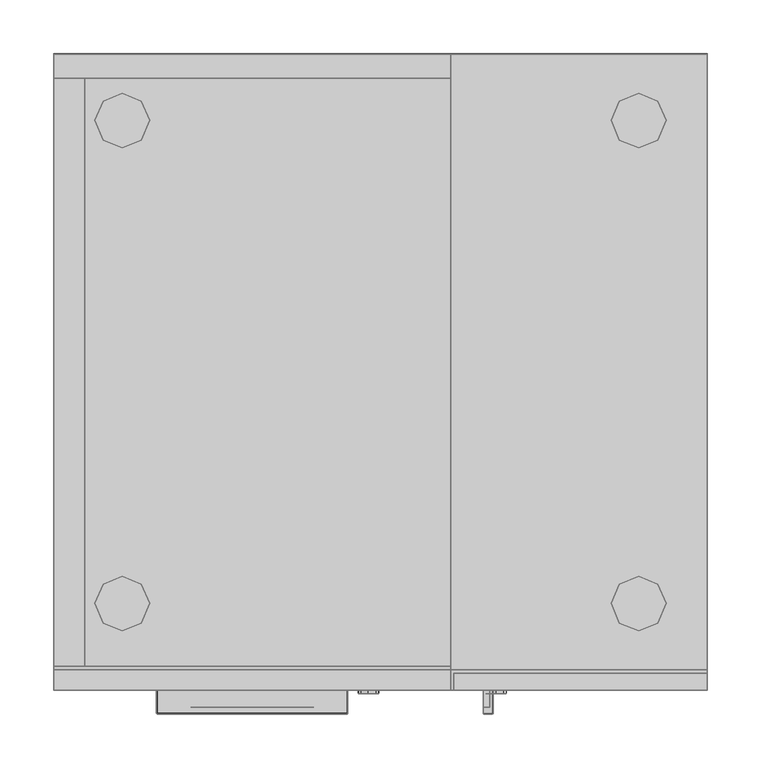
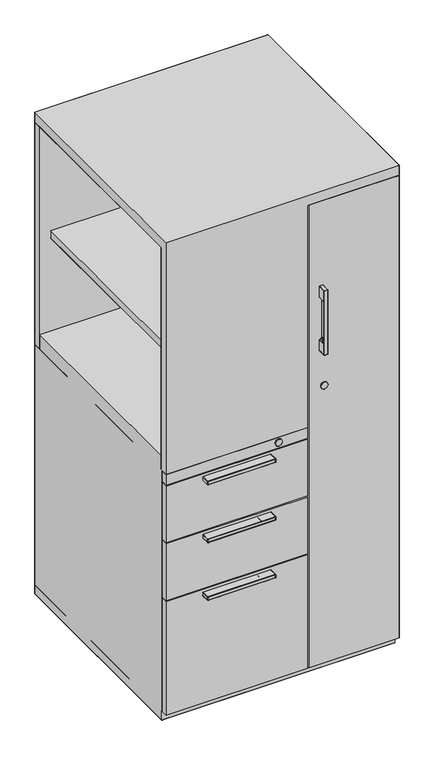
"""IFC4 building model written with IfcOpenShell, lengths in millimetres: furniture geometry."""

from ifc_helpers import new_model, si_unit, origin, place, context, project, spatial, triangles, source, transform, mapped, element, save


def furniture_2a527ab0(model_context):
    return source(origin(), model_context, "Body", "Tessellation", [
        triangles([(368.3000121, -574.6749879, 664.6672056), (368.3000121, -590.55, 664.6672056), (368.3000121, -590.55, 509.090946), (368.3000121, -574.6749879, 509.090946), (0.0, -590.55, 509.090946), (0.0, -590.55, 664.6672056), (0.0, -574.6749879, 509.090946), (0.0, -574.6749879, 664.6672056), (371.475, -574.6749879, 1304.9255814), (371.475, -574.6749879, 36.0172011), (371.475, -590.55, 36.0172011), (371.475, -590.55, 1304.9255814), (606.4250121, -574.6749879, 1304.9255814), (606.4250121, -590.55, 1304.9255814), (606.4250121, -590.55, 36.0172011), (606.4250121, -574.6749879, 36.0172011), (368.3000121, -590.55, 350.3409339), (368.3000121, -590.55, 505.9146501), (0.0, -590.55, 505.9146501), (0.0, -590.55, 350.3409339), (0.0, -574.6749879, 505.9146501), (368.3000121, -574.6749879, 505.9146501), (368.3000121, -590.55, 36.0172011), (368.3000121, -590.55, 347.1672177), (0.0, -590.55, 347.1672177), (0.0, -590.55, 36.0172011), (0.0, -574.6749879, 347.1672177), (368.3000121, -574.6749879, 347.1672177), (0.0, -574.6749879, 36.0172011), (0.0, -574.6749879, 350.3409339), (368.3000121, -574.6749879, 36.0172011), (368.3000121, -574.6749879, 350.3409339), (368.3000121, -590.55, 667.8422298), (368.3000121, -590.55, 696.4172298), (0.0, -590.55, 696.4172298), (0.0, -590.55, 667.8422298), (0.0, -574.6749879, 696.4172298), (368.3000121, -574.6749879, 696.4172298), (0.0, -574.6749879, 667.8422298), (368.3000121, -574.6749879, 667.8422298)], [[1, 2, 3], [1, 3, 4], [5, 6, 7], [6, 8, 7], [3, 2, 6], [3, 6, 5], [9, 10, 11], [9, 11, 12], [13, 14, 15], [13, 15, 16], [16, 10, 9], [16, 9, 13], [12, 11, 14], [11, 15, 14], [17, 18, 19], [17, 19, 20], [21, 19, 18], [21, 18, 22], [23, 24, 25], [23, 25, 26], [27, 25, 24], [27, 24, 28], [26, 25, 27], [26, 27, 29], [20, 19, 30], [19, 21, 30], [28, 24, 23], [28, 23, 31], [22, 18, 17], [22, 17, 32], [33, 34, 35], [33, 35, 36], [8, 6, 2], [8, 2, 1], [37, 35, 34], [37, 34, 38], [36, 35, 39], [35, 37, 39], [33, 34, 40], [34, 38, 40]], closed=False),
        triangles([(88.899997, -509.9843871, 0.0), (81.359378, -492.1250121, 0.0), (81.359378, -492.1250121, 10.6172003), (88.899997, -509.9843871, 10.6172003), (45.6406235, -492.1250121, 0.0), (38.1, -509.9843871, 0.0), (38.1, -509.9843871, 10.6172003), (45.6406235, -492.1250121, 10.6172003), (63.4999985, -484.584375, 0.0), (63.4999985, -484.584375, 10.6172003), (45.6406235, -528.2406129, 0.0), (63.4999985, -535.3843629, 0.0), (63.4999985, -535.3843629, 10.6172003), (45.6406235, -528.2406129, 10.6172003), (81.359378, -528.2406129, 0.0), (81.359378, -528.2406129, 10.6172003), (81.359378, -79.771875, 10.6172003), (81.359378, -79.771875, 0.0), (88.899997, -61.5156265, 0.0), (88.899997, -61.5156265, 10.6172003), (81.359378, -43.6562515, 0.0), (81.359378, -43.6562515, 10.6172003), (63.4999985, -36.1156258, 0.0), (63.4999985, -36.1156258, 10.6172003), (45.6406235, -43.6562515, 0.0), (45.6406235, -43.6562515, 10.6172003), (38.1, -61.5156265, 10.6172003), (38.1, -61.5156265, 0.0), (45.6406235, -79.771875, 0.0), (45.6406235, -79.771875, 10.6172003), (63.4999985, -86.915625, 0.0), (63.4999985, -86.915625, 10.6172003), (568.3250121, -509.9843871, 10.6172003), (568.3250121, -509.9843871, 0.0), (560.784375, -492.1250121, 0.0), (560.784375, -492.1250121, 10.6172003), (525.065625, -492.1250121, 10.6172003), (525.065625, -492.1250121, 0.0), (517.5249879, -509.9843871, 0.0), (517.5249879, -509.9843871, 10.6172003), (542.925, -484.584375, 10.6172003), (542.925, -484.584375, 0.0), (525.065625, -528.2406129, 10.6172003), (525.065625, -528.2406129, 0.0), (542.925, -535.3843629, 0.0), (542.925, -535.3843629, 10.6172003), (560.784375, -528.2406129, 0.0), (560.784375, -528.2406129, 10.6172003), (560.784375, -79.771875, 0.0), (568.3250121, -61.5156265, 0.0), (568.3250121, -61.5156265, 10.6172003), (560.784375, -79.771875, 10.6172003), (560.784375, -43.6562515, 0.0), (560.784375, -43.6562515, 10.6172003), (542.925, -36.1156258, 0.0), (525.065625, -43.6562515, 0.0), (525.065625, -43.6562515, 10.6172003), (542.925, -36.1156258, 10.6172003), (517.5249879, -61.5156265, 0.0), (525.065625, -79.771875, 0.0), (525.065625, -79.771875, 10.6172003), (517.5249879, -61.5156265, 10.6172003), (542.925, -86.915625, 0.0), (542.925, -86.915625, 10.6172003)], [[1, 2, 3], [1, 3, 4], [5, 6, 7], [5, 7, 8], [9, 5, 8], [9, 8, 10], [2, 9, 10], [2, 10, 3], [11, 12, 13], [11, 13, 14], [12, 15, 16], [12, 16, 13], [15, 1, 4], [15, 4, 16], [6, 11, 14], [6, 14, 7], [17, 18, 19], [17, 19, 20], [20, 19, 21], [20, 21, 22], [22, 21, 23], [22, 23, 24], [24, 23, 25], [24, 25, 26], [27, 28, 29], [27, 29, 30], [30, 29, 31], [30, 31, 32], [32, 31, 17], [31, 18, 17], [26, 25, 27], [25, 28, 27], [33, 34, 35], [33, 35, 36], [37, 38, 39], [37, 39, 40], [41, 42, 38], [41, 38, 37], [36, 35, 42], [36, 42, 41], [43, 44, 45], [43, 45, 46], [46, 45, 47], [46, 47, 48], [48, 47, 34], [48, 34, 33], [40, 39, 44], [40, 44, 43], [49, 50, 51], [49, 51, 52], [50, 53, 54], [50, 54, 51], [55, 56, 57], [55, 57, 58], [59, 60, 61], [59, 61, 62], [60, 63, 64], [60, 64, 61], [56, 59, 62], [56, 62, 57], [53, 55, 58], [53, 58, 54], [63, 49, 52], [63, 52, 64]], closed=False),
        triangles([(407.2204199, -612.0130068, 897.2854923), (399.2194184, -612.0130068, 897.2854923), (399.2194184, -590.55, 897.2854923), (407.2204199, -590.55, 897.2854923), (407.2204199, -612.7750242, 1074.3234507), (399.2194184, -612.7750242, 1074.3234507), (399.2194184, -612.7750242, 898.0475098), (407.2204199, -612.7750242, 898.0475098), (407.9824373, -590.55, 1074.3234507), (407.9824373, -612.0130068, 1074.3234507), (407.9824373, -612.0130068, 898.0475098), (407.9824373, -590.55, 898.0475098), (404.8074131, -605.7899855, 1037.5696621), (404.8074131, -590.55, 1037.5696621), (404.8074131, -590.55, 934.8012983), (404.8074131, -605.7899855, 934.8012983), (404.4308009, -605.7899855, 1039.7240364), (404.4232796, -590.55, 1039.7447474), (403.1819673, -605.7899855, 1041.8124264), (403.1819673, -590.55, 1041.8124264), (401.4261515, -605.7899855, 1043.1829823), (401.4067486, -590.55, 1043.1932287), (399.1377737, -605.7899855, 1043.8831575), (399.1377737, -590.55, 1043.8831575), (398.6524836, -605.7899855, 1044.1316162), (398.6524836, -590.55, 1044.1316162), (398.4574373, -605.7899855, 1044.6407421), (398.4574373, -590.55, 1044.6407421), (404.4232796, -590.55, 932.6262131), (404.4308009, -605.7899855, 932.646924), (403.1819673, -590.55, 930.558534), (403.1819673, -605.7899855, 930.558534), (401.4067486, -590.55, 929.1777317), (401.4261515, -605.7899855, 929.1879782), (399.1377737, -590.55, 928.4878029), (399.1377737, -605.7899855, 928.4878029), (398.6524836, -590.55, 928.2393442), (398.6524836, -605.7899855, 928.2393442), (398.4574373, -590.55, 927.7302183), (398.4574373, -605.7899855, 927.7302183), (401.3455241, -606.3288334, 929.396105), (399.1582303, -606.3330119, 928.7189661), (401.1509139, -606.5520029, 929.8985453), (399.2194184, -606.5520029, 929.265517), (403.0151896, -606.3288334, 930.7068535), (402.6125616, -606.5520029, 931.0648985), (404.2195856, -606.3288334, 932.7190853), (403.7096967, -606.5520029, 932.8932026), (404.5842436, -606.3288334, 934.8012983), (404.045432, -606.5520029, 934.8012983), (399.1582303, -606.3330119, 1043.6519943), (401.3455241, -606.3288334, 1042.9748554), (399.2194184, -606.5520029, 1043.1054434), (401.1509139, -606.5520029, 1042.4724152), (403.0151896, -606.3288334, 1041.6641069), (402.6125616, -606.5520029, 1041.3060619), (403.7096967, -606.5520029, 1039.4777578), (404.2195856, -606.3288334, 1039.6518751), (404.045432, -606.5520029, 1037.5696621), (404.5842436, -606.3288334, 1037.5696621), (398.6282118, -606.4443787, 1043.8466045), (398.6806068, -606.7751724, 1043.1055161), (398.457401, -606.8467887, 1044.2145327), (398.457401, -607.313984, 1043.1055161), (398.6882009, -606.7751724, 929.2643543), (398.632136, -606.4443787, 928.5235565), (398.464995, -607.313984, 929.2654444), (398.4595448, -606.8467887, 928.1563551), (399.2194184, -612.5393555, 897.5369305), (407.2204199, -612.551782, 897.5086618), (398.4574373, -590.55, 898.0475098), (398.6806068, -590.55, 897.5086618), (398.4574373, -612.0130068, 898.0475098), (398.6806068, -612.0130068, 897.5086618), (398.6806068, -612.551782, 898.0475098), (398.6806068, -612.551782, 1074.3234507), (398.4574373, -612.0130068, 1074.3234507), (399.2194184, -612.0130068, 1075.0854681), (407.2204199, -612.0130068, 1075.0854681), (407.2204199, -590.55, 1075.0854681), (399.2194184, -590.55, 1075.0854681), (398.6806068, -612.0130068, 1074.8622986), (398.6806068, -590.55, 1074.8622986), (398.4574373, -590.55, 1074.3234507), (407.7592315, -612.0130068, 1074.8622986), (407.7592315, -590.55, 1074.8622986), (407.7592315, -612.551782, 898.0475098), (407.7592315, -612.551782, 1074.3234507), (407.7592315, -612.0130068, 897.5086618), (407.7592315, -590.55, 897.5086618), (407.2204199, -612.551782, 1074.8622986), (399.2194184, -612.551782, 1074.8622986), (398.838446, -612.551782, 1074.7045321), (407.7592315, -612.3937975, 1074.7046774), (407.7592315, -612.3921261, 897.664539), (398.6806068, -612.3795542, 897.6926622), (407.9824373, -590.55, 934.8063852), (407.9824373, -590.55, 1037.508692), (407.9824373, -590.55, 1039.7089211), (407.9824373, -590.55, 1041.8925087), (407.9824373, -590.55, 1043.3794819), (407.9824373, -590.55, 1043.9726143), (407.9824373, -590.55, 1044.6079679), (407.9824373, -590.55, 932.6620394), (407.9824373, -590.55, 930.4784517), (407.9824373, -590.55, 928.9914785), (407.9824373, -590.55, 928.3983461), (407.9824373, -590.55, 927.7629925), (398.4574373, -612.0130068, 1044.6406694), (398.4574373, -612.0130068, 1044.21446), (398.4574373, -612.0130068, 1043.0728872), (398.4574373, -612.0130068, 929.2641363), (398.4574373, -612.0130068, 928.1560644), (398.4574373, -612.0130068, 927.7302183), (399.2194184, -606.5520029, 1037.3476553), (399.2194184, -606.5520029, 934.2902103), (399.2194184, -606.5520029, 1039.2282091), (399.2194184, -606.5520029, 1041.1360868), (399.2194184, -606.5520029, 932.3843674), (399.2194184, -606.5520029, 930.7274191), (127.2575576, -606.5520029, 648.8556707), (127.8905949, -606.5520029, 650.7871662), (129.056939, -606.5520029, 652.2488503), (128.7194869, -606.5520029, 648.8556707), (130.8852885, -606.5520029, 653.345949), (130.3764351, -606.5520029, 648.8556707), (132.7933479, -606.5520029, 653.6816843), (132.2822872, -606.5520029, 648.8556707), (239.1281364, -606.5520029, 648.8556707), (239.298166, -606.5520029, 652.2488503), (240.4645011, -606.5520029, 650.7871662), (241.0975475, -606.5520029, 648.8556707), (237.2203132, -606.5520029, 648.8556707), (237.4698074, -606.5520029, 653.345949), (235.3397594, -606.5520029, 648.8556707), (235.561748, -606.5520029, 653.6816843), (125.7222861, -590.55, 648.093726), (125.7222861, -612.0130068, 648.093726), (96.0395503, -612.0130068, 648.093726), (96.0395503, -590.55, 648.093726), (126.1484592, -606.8467887, 648.0958334), (126.1481594, -612.0130068, 648.093726), (125.7222861, -605.7899855, 648.093726), (127.2575303, -607.313984, 648.1012836), (127.256195, -612.0130068, 648.093726), (241.0975475, -607.313984, 648.093726), (241.0649913, -612.0130068, 648.093726), (242.2066368, -606.8467887, 648.093726), (242.2065459, -612.0130068, 648.093726), (242.6328099, -605.7899855, 648.093726), (242.6327372, -612.0130068, 648.093726), (272.3155548, -590.55, 648.093726), (272.3155548, -612.0130068, 648.093726), (242.6328099, -590.55, 648.093726), (95.5007387, -590.55, 657.3954838), (95.5007387, -590.55, 648.3168955), (95.277551, -590.55, 648.8556707), (95.277551, -590.55, 656.8567085), (96.0395503, -590.55, 657.618726), (125.7550875, -590.55, 657.618726), (126.2314211, -590.55, 648.2887722), (126.3903776, -590.55, 657.618726), (126.479907, -590.55, 648.7740623), (126.9835372, -590.55, 657.618726), (127.1698358, -590.55, 651.0430372), (128.4705195, -590.55, 657.618726), (128.5505746, -590.55, 652.8182196), (130.654089, -590.55, 657.618726), (130.6182808, -590.55, 654.0595682), (132.7984348, -590.55, 657.618726), (132.7933479, -590.55, 654.4437017), (272.3155548, -590.55, 657.618726), (242.6000175, -590.55, 657.618726), (272.8543664, -590.55, 657.3954838), (272.8543664, -590.55, 648.3168955), (273.077554, -590.55, 656.8567085), (273.077554, -590.55, 648.8556707), (242.123684, -590.55, 648.2887722), (241.875189, -590.55, 648.7740623), (241.9647184, -590.55, 657.618726), (241.1852602, -590.55, 651.0430372), (241.3715678, -590.55, 657.618726), (239.8045305, -590.55, 652.8182196), (239.8845765, -590.55, 657.618726), (237.7368151, -590.55, 654.0595682), (237.701007, -590.55, 657.618726), (235.561748, -590.55, 654.4437017), (235.5007416, -590.55, 657.618726), (95.6847482, -612.3795542, 648.3168955), (95.5289801, -612.5393555, 648.8556707), (95.277551, -612.0130068, 648.8556707), (95.5007387, -612.0130068, 648.3168955), (96.0395503, -612.551782, 648.3168955), (96.0395503, -612.7750242, 648.8556707), (95.6566249, -612.3921261, 657.3954838), (95.5007387, -612.551782, 656.8567085), (96.0395503, -612.7750242, 656.8567085), (96.0395503, -612.551782, 657.3954838), (95.5007387, -612.0130068, 657.3954838), (95.277551, -612.0130068, 656.8567085), (96.0395503, -612.0130068, 657.618726), (272.6967452, -612.3937975, 657.3954838), (272.8543664, -612.551782, 656.8567085), (273.077554, -612.0130068, 656.8567085), (272.8543664, -612.0130068, 657.3954838), (272.3155548, -612.551782, 657.3954838), (272.3155548, -612.7750242, 656.8567085), (272.3155548, -612.0130068, 657.618726), (272.6965635, -612.551782, 648.4747347), (272.8544027, -612.0130068, 648.3168955), (273.077554, -612.0130068, 648.8556707), (272.8543664, -612.551782, 648.8556707), (272.3155548, -612.551782, 648.3168955), (272.3155548, -612.7750242, 648.8556707), (127.2564312, -606.7751724, 648.3244532), (241.0975475, -606.7751724, 648.3168955), (126.2314211, -605.7899855, 648.2887722), (126.5155879, -606.4443787, 648.2684246), (126.479907, -605.7899855, 648.7740623), (126.7110066, -606.3330119, 648.7944826), (241.8386541, -606.4443787, 648.2645004), (242.123684, -605.7899855, 648.2887722), (241.6440984, -606.3330119, 648.7944826), (241.875189, -605.7899855, 648.7740623), (132.7933479, -606.3288334, 654.2205322), (235.561748, -606.3288334, 654.2205322), (132.7933479, -605.7899855, 654.4437017), (235.561748, -605.7899855, 654.4437017), (237.7161223, -605.7899855, 654.0670532), (237.6439792, -606.3288334, 653.8558743), (239.656211, -606.3288334, 652.651442), (239.8045305, -605.7899855, 652.8182196), (240.9669414, -606.3288334, 650.9817764), (241.17505, -605.7899855, 651.0624401), (128.5505746, -605.7899855, 652.8182196), (128.6988849, -606.3288334, 652.651442), (130.7111258, -606.3288334, 653.8558743), (130.6389827, -605.7899855, 654.0670532), (127.3881637, -606.3288334, 650.9817764), (127.1800459, -605.7899855, 651.0624401), (127.2575576, -606.5520029, 490.1031515), (127.8905949, -606.5520029, 492.034647), (129.056939, -606.5520029, 493.4962947), (128.7194869, -606.5520029, 490.1031515), (130.8852885, -606.5520029, 494.5934298), (130.3764351, -606.5520029, 490.1031515), (132.7933479, -606.5520029, 494.9291651), (132.2822872, -606.5520029, 490.1031515), (239.1281364, -606.5520029, 490.1031515), (239.298166, -606.5520029, 493.4962947), (240.4645011, -606.5520029, 492.034647), (241.0975475, -606.5520029, 490.1031515), (237.2203132, -606.5520029, 490.1031515), (237.4698074, -606.5520029, 494.5934298), (235.3397594, -606.5520029, 490.1031515), (235.561748, -606.5520029, 494.9291651), (125.7222861, -590.55, 489.3411704), (125.7222861, -612.0130068, 489.3411704), (96.0395503, -612.0130068, 489.3411704), (96.0395503, -590.55, 489.3411704), (126.1484592, -606.8467887, 489.3432778), (126.1481594, -612.0130068, 489.3411704), (125.7222861, -605.7899855, 489.3411704), (127.2575303, -607.313984, 489.3487281), (127.256195, -612.0130068, 489.3411704), (241.0975475, -607.313984, 489.3411704), (241.0649913, -612.0130068, 489.3411704), (242.2066368, -606.8467887, 489.3411704), (242.2065459, -612.0130068, 489.3411704), (242.6328099, -605.7899855, 489.3411704), (242.6327372, -612.0130068, 489.3411704), (272.3155548, -590.55, 489.3411704), (272.3155548, -612.0130068, 489.3411704), (242.6328099, -590.55, 489.3411704), (95.5007387, -590.55, 498.6429646), (95.5007387, -590.55, 489.5643399), (95.277551, -590.55, 490.1031515), (95.277551, -590.55, 498.104153), (96.0395503, -590.55, 498.8661704), (125.7550875, -590.55, 498.8661704), (126.2314211, -590.55, 489.5362166), (126.3903776, -590.55, 498.8661704), (126.479907, -590.55, 490.0215068), (126.9835372, -590.55, 498.8661704), (127.1698358, -590.55, 492.2904817), (128.4705195, -590.55, 498.8661704), (128.5505746, -590.55, 494.0657003), (130.654089, -590.55, 498.8661704), (130.6182808, -590.55, 495.3070127), (132.7984348, -590.55, 498.8661704), (132.7933479, -590.55, 495.6911462), (272.3155548, -590.55, 498.8661704), (242.6000175, -590.55, 498.8661704), (272.8543664, -590.55, 498.6429646), (272.8543664, -590.55, 489.5643399), (273.077554, -590.55, 498.104153), (273.077554, -590.55, 490.1031515), (242.123684, -590.55, 489.5362166), (241.875189, -590.55, 490.0215068), (241.9647184, -590.55, 498.8661704), (241.1852602, -590.55, 492.2904817), (241.3715678, -590.55, 498.8661704), (239.8045305, -590.55, 494.0657003), (239.8845765, -590.55, 498.8661704), (237.7368151, -590.55, 495.3070127), (237.701007, -590.55, 498.8661704), (235.561748, -590.55, 495.6911462), (235.5007416, -590.55, 498.8661704), (95.6847482, -612.3795542, 489.5643399), (95.5289801, -612.5393555, 490.1031515), (95.277551, -612.0130068, 490.1031515), (95.5007387, -612.0130068, 489.5643399), (96.0395503, -612.551782, 489.5643399), (96.0395503, -612.7750242, 490.1031515), (95.6566249, -612.3921261, 498.6429646), (95.5007387, -612.551782, 498.104153), (96.0395503, -612.7750242, 498.104153), (96.0395503, -612.551782, 498.6429646), (95.5007387, -612.0130068, 498.6429646), (95.277551, -612.0130068, 498.104153), (96.0395503, -612.0130068, 498.8661704), (272.6967452, -612.3937975, 498.6429646), (272.8543664, -612.551782, 498.104153), (273.077554, -612.0130068, 498.104153), (272.8543664, -612.0130068, 498.6429646), (272.3155548, -612.551782, 498.6429646), (272.3155548, -612.7750242, 498.104153), (272.3155548, -612.0130068, 498.8661704), (272.6965635, -612.551782, 489.7221791), (272.8544027, -612.0130068, 489.5643763), (273.077554, -612.0130068, 490.1031515), (272.8543664, -612.551782, 490.1031515), (272.3155548, -612.551782, 489.5643399), (272.3155548, -612.7750242, 490.1031515), (127.2564312, -606.7751724, 489.5719339), (241.0975475, -606.7751724, 489.5643399), (126.2314211, -605.7899855, 489.5362166), (126.5155879, -606.4443787, 489.515869), (126.479907, -605.7899855, 490.0215068), (126.7110066, -606.3330119, 490.0419634), (241.8386541, -606.4443787, 489.5119449), (242.123684, -605.7899855, 489.5362166), (241.6440984, -606.3330119, 490.0419634), (241.875189, -605.7899855, 490.0215068), (132.7933479, -606.3288334, 495.4679767), (235.561748, -606.3288334, 495.4679767), (132.7933479, -605.7899855, 495.6911462), (235.561748, -605.7899855, 495.6911462), (237.7161223, -605.7899855, 495.314534), (237.6439792, -606.3288334, 495.1033187), (239.656211, -606.3288334, 493.8989227), (239.8045305, -605.7899855, 494.0657003), (240.9669414, -606.3288334, 492.2292572), (241.17505, -605.7899855, 492.3098845), (128.5505746, -605.7899855, 494.0657003), (128.6988849, -606.3288334, 493.8989227), (130.7111258, -606.3288334, 495.1033187), (130.6389827, -605.7899855, 495.314534), (127.3881637, -606.3288334, 492.2292572), (127.1800459, -605.7899855, 492.3098845), (127.2575576, -606.5520029, 331.3556828), (127.8905949, -606.5520029, 333.2871783), (129.056939, -606.5520029, 334.748826), (128.7194869, -606.5520029, 331.3556828), (130.8852885, -606.5520029, 335.8459974), (130.3764351, -606.5520029, 331.3556828), (132.7933479, -606.5520029, 336.1816964), (132.2822872, -606.5520029, 331.3556828), (239.1281364, -606.5520029, 331.3556828), (239.298166, -606.5520029, 334.748826), (240.4645011, -606.5520029, 333.2871783), (241.0975475, -606.5520029, 331.3556828), (237.2203132, -606.5520029, 331.3556828), (237.4698074, -606.5520029, 335.8459974), (235.3397594, -606.5520029, 331.3556828), (235.561748, -606.5520029, 336.1816964), (125.7222861, -590.55, 330.5937017), (125.7222861, -612.0130068, 330.5937017), (96.0395503, -612.0130068, 330.5937017), (96.0395503, -590.55, 330.5937017), (126.1484592, -606.8467887, 330.5958092), (126.1481594, -612.0130068, 330.5937017), (125.7222861, -605.7899855, 330.5937017), (127.2575303, -607.313984, 330.6012958), (127.256195, -612.0130068, 330.5937017), (241.0975475, -607.313984, 330.5937017), (241.0649913, -612.0130068, 330.5937017), (242.2066368, -606.8467887, 330.5937017), (242.2065459, -612.0130068, 330.5937017), (242.6328099, -605.7899855, 330.5937017), (242.6327372, -612.0130068, 330.5937017), (272.3155548, -590.55, 330.5937017), (272.3155548, -612.0130068, 330.5937017), (242.6328099, -590.55, 330.5937017), (95.5007387, -590.55, 339.8955322), (95.5007387, -590.55, 330.8168713), (95.277551, -590.55, 331.3556828), (95.277551, -590.55, 339.3566843), (96.0395503, -590.55, 340.1187017), (125.7550875, -590.55, 340.1187017), (126.2314211, -590.55, 330.788748), (126.3903776, -590.55, 340.1187017), (126.479907, -590.55, 331.2740745), (126.9835372, -590.55, 340.1187017), (127.1698358, -590.55, 333.5430493), (128.4705195, -590.55, 340.1187017), (128.5505746, -590.55, 335.318268), (130.654089, -590.55, 340.1187017), (130.6182808, -590.55, 336.5595803), (132.7984348, -590.55, 340.1187017), (132.7933479, -590.55, 336.9437139), (272.3155548, -590.55, 340.1187017), (242.6000175, -590.55, 340.1187017), (272.8543664, -590.55, 339.8955322), (272.8543664, -590.55, 330.8168713), (273.077554, -590.55, 339.3566843), (273.077554, -590.55, 331.3556828), (242.123684, -590.55, 330.788748), (241.875189, -590.55, 331.2740745), (241.9647184, -590.55, 340.1187017), (241.1852602, -590.55, 333.5430493), (241.3715678, -590.55, 340.1187017), (239.8045305, -590.55, 335.318268), (239.8845765, -590.55, 340.1187017), (237.7368151, -590.55, 336.5595803), (237.701007, -590.55, 340.1187017), (235.561748, -590.55, 336.9437139), (235.5007416, -590.55, 340.1187017), (95.6847482, -612.3795542, 330.8168713), (95.5289801, -612.5393555, 331.3556828), (95.277551, -612.0130068, 331.3556828), (95.5007387, -612.0130068, 330.8168713), (96.0395503, -612.551782, 330.8168713), (96.0395503, -612.7750242, 331.3556828), (95.6566249, -612.3921261, 339.8955322), (95.5007387, -612.551782, 339.3566843), (96.0395503, -612.7750242, 339.3566843), (96.0395503, -612.551782, 339.8955322), (95.5007387, -612.0130068, 339.8955322), (95.277551, -612.0130068, 339.3566843), (96.0395503, -612.0130068, 340.1187017), (272.6967452, -612.3937975, 339.8955322), (272.8543664, -612.551782, 339.3566843), (273.077554, -612.0130068, 339.3566843), (272.8543664, -612.0130068, 339.8955322), (272.3155548, -612.551782, 339.8955322), (272.3155548, -612.7750242, 339.3566843), (272.3155548, -612.0130068, 340.1187017), (272.6965635, -612.551782, 330.9747105), (272.8544027, -612.0130068, 330.8169076), (272.8543664, -612.551782, 331.3556828), (273.077554, -612.0130068, 331.3556828), (272.3155548, -612.551782, 330.8168713), (272.3155548, -612.7750242, 331.3556828), (127.2564312, -606.7751724, 330.8244653), (241.0975475, -606.7751724, 330.8168713), (126.2314211, -605.7899855, 330.788748), (126.5155879, -606.4443787, 330.7684004), (126.479907, -605.7899855, 331.2740745), (126.7110066, -606.3330119, 331.2945311), (241.8386541, -606.4443787, 330.7644762), (242.123684, -605.7899855, 330.788748), (241.6440984, -606.3330119, 331.2945311), (241.875189, -605.7899855, 331.2740381), (132.7933479, -606.3288334, 336.720508), (235.561748, -606.3288334, 336.720508), (132.7933479, -605.7899855, 336.9437139), (235.561748, -605.7899855, 336.9437139), (237.7161223, -605.7899855, 336.5670653), (237.6439792, -606.3288334, 336.3558864), (239.656211, -606.3288334, 335.1514541), (239.8045305, -605.7899855, 335.318268), (240.9669414, -606.3288334, 333.4818249), (241.17505, -605.7899855, 333.5624159), (128.5505746, -605.7899855, 335.318268), (128.6988849, -606.3288334, 335.1514541), (130.7111258, -606.3288334, 336.3558864), (130.6389827, -605.7899855, 336.5670653), (127.3881637, -606.3288334, 333.4818249), (127.1800459, -605.7899855, 333.5624159)], [[1, 2, 3], [1, 3, 4], [5, 6, 7], [5, 7, 8], [9, 10, 11], [9, 11, 12], [13, 14, 15], [13, 15, 16], [17, 18, 14], [17, 14, 13], [19, 20, 18], [19, 18, 17], [21, 22, 20], [21, 20, 19], [23, 24, 22], [23, 22, 21], [25, 26, 24], [25, 24, 23], [27, 28, 26], [27, 26, 25], [16, 15, 29], [16, 29, 30], [30, 29, 31], [30, 31, 32], [32, 31, 33], [32, 33, 34], [34, 33, 35], [34, 35, 36], [36, 35, 37], [36, 37, 38], [38, 37, 39], [38, 39, 40], [34, 41, 42], [34, 42, 36], [41, 43, 44], [41, 44, 42], [32, 45, 41], [32, 41, 34], [45, 46, 43], [45, 43, 41], [47, 48, 46], [47, 46, 45], [49, 50, 48], [49, 48, 47], [16, 49, 47], [16, 47, 30], [30, 47, 45], [30, 45, 32], [23, 51, 52], [23, 52, 21], [51, 53, 54], [51, 54, 52], [21, 52, 55], [21, 55, 19], [52, 54, 56], [52, 56, 55], [55, 56, 57], [55, 57, 58], [58, 57, 59], [58, 59, 60], [17, 58, 60], [17, 60, 13], [19, 55, 58], [19, 58, 17], [60, 13, 16], [60, 16, 49], [59, 60, 49], [59, 49, 50], [61, 51, 53], [61, 53, 62], [25, 23, 51], [25, 51, 61], [63, 61, 62], [63, 62, 64], [27, 25, 61], [27, 61, 63], [65, 44, 42], [65, 42, 66], [66, 42, 36], [66, 36, 38], [67, 65, 66], [67, 66, 68], [68, 66, 38], [68, 38, 40], [64, 62, 65], [64, 65, 67], [62, 53, 44], [62, 44, 65], [69, 70, 8], [69, 8, 7], [2, 1, 70], [2, 70, 69], [71, 72, 73], [72, 74, 73], [72, 3, 2], [72, 2, 74], [73, 75, 76], [73, 76, 77], [75, 7, 6], [75, 6, 76], [78, 79, 80], [78, 80, 81], [77, 82, 83], [77, 83, 84], [82, 78, 81], [82, 81, 83], [79, 85, 86], [79, 86, 80], [85, 10, 9], [85, 9, 86], [8, 87, 88], [8, 88, 5], [87, 11, 88], [11, 10, 88], [11, 89, 90], [11, 90, 12], [89, 1, 4], [89, 4, 90], [91, 92, 6], [91, 6, 5], [79, 78, 92], [79, 92, 91], [6, 93, 76], [92, 93, 6], [93, 82, 77], [93, 77, 76], [92, 78, 82], [92, 82, 93], [10, 94, 88], [10, 85, 94], [94, 91, 5], [94, 5, 88], [85, 79, 91], [85, 91, 94], [11, 95, 89], [11, 87, 95], [95, 70, 1], [95, 1, 89], [87, 8, 70], [87, 70, 95], [73, 96, 75], [73, 74, 96], [96, 69, 7], [96, 7, 75], [74, 2, 69], [74, 69, 96], [97, 15, 98], [15, 14, 98], [98, 14, 18], [98, 18, 99], [99, 18, 20], [99, 20, 100], [100, 20, 22], [100, 22, 101], [101, 22, 24], [101, 24, 102], [102, 24, 26], [102, 26, 103], [26, 28, 103], [103, 28, 9], [28, 84, 9], [104, 29, 15], [104, 15, 97], [105, 31, 29], [105, 29, 104], [106, 33, 31], [106, 31, 105], [107, 35, 33], [107, 33, 106], [108, 37, 35], [108, 35, 107], [108, 39, 37], [12, 71, 108], [71, 39, 108], [90, 72, 71], [90, 71, 12], [4, 3, 72], [4, 72, 90], [28, 109, 77], [28, 77, 84], [63, 110, 109], [63, 109, 27], [64, 111, 110], [64, 110, 63], [67, 112, 111], [67, 111, 64], [68, 113, 112], [68, 112, 67], [40, 114, 113], [40, 113, 68], [71, 73, 114], [71, 114, 39], [115, 59, 50], [115, 50, 116], [117, 57, 115], [57, 59, 115], [118, 56, 117], [56, 57, 117], [53, 54, 118], [54, 56, 118], [116, 50, 119], [50, 48, 119], [119, 48, 46], [119, 46, 120], [120, 46, 43], [120, 43, 44], [121, 122, 123], [121, 123, 124], [124, 123, 125], [124, 125, 126], [126, 125, 127], [126, 127, 128], [129, 130, 131], [129, 131, 132], [133, 134, 130], [133, 130, 129], [135, 136, 134], [135, 134, 133], [128, 127, 136], [128, 136, 135], [137, 138, 139], [137, 139, 140], [141, 142, 138], [141, 138, 143], [144, 145, 142], [144, 142, 141], [146, 147, 145], [146, 145, 144], [148, 149, 146], [149, 147, 146], [150, 151, 148], [151, 149, 148], [152, 153, 151], [152, 151, 154], [155, 156, 157], [155, 157, 158], [159, 140, 156], [159, 156, 155], [160, 137, 140], [160, 140, 159], [161, 137, 160], [162, 163, 161], [162, 161, 160], [164, 165, 163], [164, 163, 162], [166, 167, 165], [166, 165, 164], [168, 169, 167], [168, 167, 166], [170, 171, 169], [170, 169, 168], [172, 152, 154], [172, 154, 173], [174, 175, 152], [174, 152, 172], [176, 177, 175], [176, 175, 174], [173, 154, 178], [173, 178, 179], [173, 179, 180], [180, 179, 181], [180, 181, 182], [182, 181, 183], [182, 183, 184], [184, 183, 185], [184, 185, 186], [186, 185, 187], [186, 187, 188], [188, 187, 171], [188, 171, 170], [189, 190, 191], [189, 191, 192], [193, 194, 190], [193, 190, 189], [139, 189, 192], [139, 193, 189], [195, 196, 197], [195, 197, 198], [199, 200, 196], [199, 196, 195], [201, 195, 198], [201, 199, 195], [202, 203, 204], [202, 204, 205], [206, 207, 203], [206, 203, 202], [208, 202, 205], [208, 206, 202], [209, 210, 211], [209, 211, 212], [213, 153, 209], [153, 210, 209], [214, 209, 212], [214, 213, 209], [203, 212, 211], [203, 211, 204], [207, 214, 203], [214, 212, 203], [155, 158, 199], [158, 200, 199], [159, 155, 201], [155, 199, 201], [206, 208, 201], [206, 201, 198], [207, 206, 198], [207, 198, 197], [174, 172, 208], [174, 208, 205], [176, 174, 205], [176, 205, 204], [175, 177, 211], [175, 211, 210], [152, 175, 210], [152, 210, 153], [177, 176, 204], [177, 204, 211], [213, 214, 194], [213, 194, 193], [153, 213, 193], [153, 193, 139], [192, 191, 157], [192, 157, 156], [139, 192, 156], [139, 156, 140], [190, 196, 200], [190, 200, 191], [194, 197, 196], [194, 196, 190], [215, 121, 132], [215, 132, 216], [144, 215, 146], [215, 216, 146], [143, 217, 218], [143, 218, 141], [141, 218, 215], [141, 215, 144], [217, 219, 220], [217, 220, 218], [218, 220, 121], [218, 121, 215], [148, 221, 222], [148, 222, 150], [146, 216, 221], [146, 221, 148], [221, 223, 224], [221, 224, 222], [216, 132, 223], [216, 223, 221], [127, 225, 226], [127, 226, 136], [225, 227, 226], [227, 228, 226], [229, 230, 231], [229, 231, 232], [228, 226, 230], [228, 230, 229], [226, 136, 134], [226, 134, 230], [230, 134, 130], [230, 130, 231], [231, 130, 131], [231, 131, 233], [232, 231, 233], [232, 233, 234], [233, 131, 132], [233, 132, 223], [234, 233, 223], [234, 223, 224], [235, 236, 237], [235, 237, 238], [238, 237, 225], [238, 225, 227], [237, 125, 127], [237, 127, 225], [236, 123, 125], [236, 125, 237], [239, 122, 123], [239, 123, 236], [240, 239, 236], [240, 236, 235], [220, 121, 122], [220, 122, 239], [219, 220, 239], [219, 239, 240], [143, 137, 161], [143, 161, 217], [217, 161, 163], [217, 163, 219], [219, 163, 165], [219, 165, 240], [240, 165, 167], [240, 167, 235], [235, 167, 169], [235, 169, 238], [238, 169, 171], [238, 171, 227], [222, 178, 154], [222, 154, 150], [224, 179, 178], [224, 178, 222], [234, 181, 179], [234, 179, 224], [232, 183, 181], [232, 181, 234], [229, 185, 183], [229, 183, 232], [228, 187, 185], [228, 185, 229], [227, 171, 228], [171, 187, 228], [159, 201, 208], [159, 208, 172], [197, 194, 214], [197, 214, 207], [158, 157, 200], [157, 191, 200], [241, 242, 243], [241, 243, 244], [244, 243, 245], [244, 245, 246], [246, 245, 247], [246, 247, 248], [249, 250, 251], [249, 251, 252], [253, 254, 250], [253, 250, 249], [255, 256, 254], [255, 254, 253], [248, 247, 256], [248, 256, 255], [257, 258, 259], [257, 259, 260], [261, 262, 258], [261, 258, 263], [264, 265, 262], [264, 262, 261], [266, 267, 265], [266, 265, 264], [268, 269, 266], [269, 267, 266], [270, 271, 268], [271, 269, 268], [272, 273, 271], [272, 271, 274], [275, 276, 277], [275, 277, 278], [279, 260, 276], [279, 276, 275], [280, 257, 260], [280, 260, 279], [281, 257, 280], [282, 283, 281], [282, 281, 280], [284, 285, 283], [284, 283, 282], [286, 287, 285], [286, 285, 284], [288, 289, 287], [288, 287, 286], [290, 291, 289], [290, 289, 288], [292, 272, 274], [292, 274, 293], [294, 295, 272], [294, 272, 292], [296, 297, 294], [297, 295, 294], [293, 274, 298], [293, 298, 299], [293, 299, 300], [300, 299, 301], [300, 301, 302], [302, 301, 303], [302, 303, 304], [304, 303, 305], [304, 305, 306], [306, 305, 307], [306, 307, 308], [308, 307, 291], [308, 291, 290], [309, 310, 311], [309, 311, 312], [313, 314, 310], [313, 310, 309], [259, 309, 312], [259, 313, 309], [315, 316, 317], [315, 317, 318], [319, 320, 316], [319, 316, 315], [321, 315, 318], [321, 319, 315], [322, 323, 324], [322, 324, 325], [326, 327, 323], [326, 323, 322], [328, 322, 325], [328, 326, 322], [329, 330, 331], [329, 331, 332], [333, 273, 329], [273, 330, 329], [334, 329, 332], [334, 333, 329], [323, 332, 331], [323, 331, 324], [327, 334, 323], [334, 332, 323], [275, 278, 319], [278, 320, 319], [279, 275, 321], [275, 319, 321], [326, 328, 321], [326, 321, 318], [327, 326, 318], [327, 318, 317], [294, 292, 325], [292, 328, 325], [296, 294, 325], [296, 325, 324], [295, 297, 331], [295, 331, 330], [272, 295, 330], [272, 330, 273], [297, 296, 324], [297, 324, 331], [333, 334, 314], [333, 314, 313], [273, 333, 313], [273, 313, 259], [312, 311, 277], [312, 277, 276], [259, 312, 276], [259, 276, 260], [310, 316, 320], [310, 320, 311], [314, 317, 316], [314, 316, 310], [335, 241, 252], [335, 252, 336], [264, 335, 266], [335, 336, 266], [263, 337, 338], [263, 338, 261], [261, 338, 335], [261, 335, 264], [337, 339, 340], [337, 340, 338], [338, 340, 241], [338, 241, 335], [268, 341, 342], [268, 342, 270], [266, 336, 341], [266, 341, 268], [341, 343, 344], [341, 344, 342], [336, 252, 343], [336, 343, 341], [247, 345, 346], [247, 346, 256], [345, 347, 346], [347, 348, 346], [349, 350, 351], [349, 351, 352], [348, 346, 350], [348, 350, 349], [346, 256, 254], [346, 254, 350], [350, 254, 250], [350, 250, 351], [351, 250, 251], [351, 251, 353], [352, 351, 353], [352, 353, 354], [353, 251, 252], [353, 252, 343], [354, 353, 343], [354, 343, 344], [355, 356, 357], [355, 357, 358], [358, 357, 345], [358, 345, 347], [357, 245, 247], [357, 247, 345], [356, 243, 245], [356, 245, 357], [359, 242, 243], [359, 243, 356], [360, 359, 356], [360, 356, 355], [340, 241, 242], [340, 242, 359], [339, 340, 359], [339, 359, 360], [263, 257, 281], [263, 281, 337], [337, 281, 283], [337, 283, 339], [339, 283, 285], [339, 285, 360], [360, 285, 287], [360, 287, 355], [355, 287, 289], [355, 289, 358], [358, 289, 291], [358, 291, 347], [342, 298, 274], [342, 274, 270], [344, 299, 298], [344, 298, 342], [354, 301, 299], [354, 299, 344], [352, 303, 301], [352, 301, 354], [349, 305, 303], [349, 303, 352], [348, 307, 305], [348, 305, 349], [347, 291, 348], [291, 307, 348], [279, 321, 328], [279, 328, 292], [317, 314, 334], [317, 334, 327], [278, 277, 320], [277, 311, 320], [361, 362, 363], [361, 363, 364], [364, 363, 365], [364, 365, 366], [366, 365, 367], [366, 367, 368], [369, 370, 371], [369, 371, 372], [373, 374, 370], [373, 370, 369], [375, 376, 374], [375, 374, 373], [368, 367, 376], [368, 376, 375], [377, 378, 379], [377, 379, 380], [381, 382, 378], [381, 378, 383], [384, 385, 382], [384, 382, 381], [386, 387, 385], [386, 385, 384], [388, 389, 386], [389, 387, 386], [390, 391, 388], [391, 389, 388], [392, 393, 391], [392, 391, 394], [395, 396, 397], [395, 397, 398], [399, 380, 396], [399, 396, 395], [400, 377, 380], [400, 380, 399], [401, 377, 400], [402, 403, 401], [402, 401, 400], [404, 405, 402], [405, 403, 402], [406, 407, 405], [406, 405, 404], [408, 409, 407], [408, 407, 406], [410, 411, 409], [410, 409, 408], [412, 392, 394], [412, 394, 413], [414, 415, 392], [414, 392, 412], [416, 417, 414], [417, 415, 414], [413, 394, 418], [413, 418, 419], [413, 419, 420], [420, 419, 421], [420, 421, 422], [422, 421, 423], [422, 423, 424], [424, 423, 425], [424, 425, 426], [426, 425, 427], [426, 427, 428], [428, 427, 411], [428, 411, 410], [429, 430, 431], [429, 431, 432], [433, 434, 430], [433, 430, 429], [379, 429, 432], [379, 433, 429], [435, 436, 437], [435, 437, 438], [439, 440, 436], [439, 436, 435], [441, 435, 438], [441, 439, 435], [442, 443, 444], [442, 444, 445], [446, 447, 443], [446, 443, 442], [448, 442, 445], [448, 446, 442], [449, 450, 451], [450, 452, 451], [453, 393, 449], [393, 450, 449], [454, 449, 451], [454, 453, 449], [443, 451, 452], [443, 452, 444], [447, 454, 443], [454, 451, 443], [395, 398, 439], [398, 440, 439], [399, 395, 441], [395, 439, 441], [446, 448, 441], [446, 441, 438], [447, 446, 438], [447, 438, 437], [414, 412, 445], [412, 448, 445], [416, 414, 445], [416, 445, 444], [415, 417, 452], [415, 452, 450], [392, 415, 450], [392, 450, 393], [417, 416, 444], [417, 444, 452], [453, 454, 434], [453, 434, 433], [393, 453, 433], [393, 433, 379], [432, 431, 397], [432, 397, 396], [379, 432, 396], [379, 396, 380], [430, 436, 440], [430, 440, 431], [434, 437, 436], [434, 436, 430], [455, 361, 372], [455, 372, 456], [384, 455, 386], [455, 456, 386], [383, 457, 458], [383, 458, 381], [381, 458, 455], [381, 455, 384], [457, 459, 460], [457, 460, 458], [458, 460, 361], [458, 361, 455], [388, 461, 462], [388, 462, 390], [386, 456, 461], [386, 461, 388], [461, 463, 464], [461, 464, 462], [456, 372, 463], [456, 463, 461], [367, 465, 466], [367, 466, 376], [465, 467, 466], [467, 468, 466], [469, 470, 471], [469, 471, 472], [468, 466, 470], [468, 470, 469], [466, 376, 374], [466, 374, 470], [470, 374, 370], [470, 370, 471], [471, 370, 371], [471, 371, 473], [472, 471, 473], [472, 473, 474], [473, 371, 372], [473, 372, 463], [474, 473, 463], [474, 463, 464], [475, 476, 477], [475, 477, 478], [478, 477, 465], [478, 465, 467], [477, 365, 367], [477, 367, 465], [476, 363, 365], [476, 365, 477], [479, 362, 363], [479, 363, 476], [480, 479, 476], [480, 476, 475], [460, 361, 362], [460, 362, 479], [459, 460, 479], [459, 479, 480], [383, 377, 401], [383, 401, 457], [457, 401, 403], [457, 403, 459], [459, 403, 405], [459, 405, 480], [480, 405, 407], [480, 407, 475], [475, 407, 409], [475, 409, 478], [478, 409, 411], [478, 411, 467], [462, 418, 394], [462, 394, 390], [464, 419, 418], [464, 418, 462], [474, 421, 419], [474, 419, 464], [472, 423, 421], [472, 421, 474], [469, 425, 423], [469, 423, 472], [468, 427, 425], [468, 425, 469], [467, 411, 468], [411, 427, 468], [399, 441, 448], [399, 448, 412], [437, 434, 454], [437, 454, 447], [398, 397, 440], [397, 431, 440]], closed=False),
        triangles([(292.0999939, -590.55, 674.1922056), (298.846875, -590.55, 676.9703064), (298.846875, -593.7249879, 676.9703064), (292.0999939, -593.7249879, 674.1922056), (285.3531311, -590.55, 676.9703064), (285.3531311, -593.7249879, 676.9703064), (282.5749939, -593.7249879, 683.7172056), (298.846875, -590.55, 690.4641048), (292.0999939, -590.55, 693.2422056), (292.0999939, -593.7249879, 693.2422056), (298.846875, -593.7249879, 690.4641048), (285.3531311, -590.55, 690.4641048), (285.3531311, -593.7249879, 690.4641048), (282.5749939, -590.55, 683.7172056), (301.6249939, -590.55, 683.7172056), (301.6249939, -593.7249879, 683.7172056), (417.2362693, -593.7249879, 805.6073673), (410.4894064, -593.7249879, 808.3854681), (403.7425072, -593.7249879, 805.6073673), (400.9644064, -593.7249879, 798.8604681), (417.2362693, -590.55, 805.6073673), (410.4894064, -590.55, 808.3854681), (403.7425072, -590.55, 805.6073673), (400.9644064, -590.55, 798.8604681), (420.0144064, -590.55, 798.8604681), (420.0144064, -593.7249879, 798.8604681), (417.2362693, -593.7249879, 792.1135689), (403.7425072, -590.55, 792.1135689), (403.7425072, -593.7249879, 792.1135689), (417.2362693, -590.55, 792.1135689), (410.4894064, -590.55, 789.3354681), (410.4894064, -593.7249879, 789.3354681)], [[1, 2, 3], [1, 3, 4], [5, 1, 4], [5, 4, 6], [6, 4, 3], [6, 3, 7], [8, 9, 10], [8, 10, 11], [9, 12, 13], [9, 13, 10], [14, 5, 6], [14, 6, 7], [2, 15, 16], [2, 16, 3], [12, 14, 7], [12, 7, 13], [15, 8, 11], [15, 11, 16], [11, 10, 13], [11, 13, 7], [3, 16, 11], [3, 11, 7], [17, 18, 19], [17, 19, 20], [21, 22, 18], [21, 18, 17], [22, 23, 19], [22, 19, 18], [23, 24, 20], [23, 20, 19], [25, 21, 17], [25, 17, 26], [27, 26, 17], [27, 17, 20], [24, 28, 29], [24, 29, 20], [30, 25, 26], [30, 26, 27], [31, 30, 27], [31, 27, 32], [29, 32, 27], [29, 27, 20], [28, 31, 32], [28, 32, 29]], closed=False),
        triangles([(0.0, 0.0, 696.4172298), (0.0, 0.0, 36.0165652), (0.0, -571.5, 36.0165652), (0.0, -571.5, 696.4172298), (606.4250121, -571.5, 36.0172011), (606.4250121, 0.0, 36.0172011), (606.4250121, 0.0, 1306.5257744), (606.4250121, -571.5, 1306.5257744), (0.0, 0.0, 1306.5257744), (606.4243581, -571.5, 10.6172003), (0.000635, -571.5, 10.6172003), (0.000635, 0.0, 10.6172003), (606.4243581, 0.0, 10.6172003), (28.575, -22.2249992, 1011.4413151), (28.575, -568.3250121, 1011.4413151), (368.3000121, -568.3250121, 1011.4413151), (368.3000121, -22.2249992, 1011.4413151), (28.575, -22.2249992, 991.5023432), (28.575, -568.3250121, 991.5023432), (368.3000121, -568.3250121, 991.5023432), (368.3000121, -22.2249992, 991.5023432), (368.3000121, -22.2249992, 736.2958277), (0.0, -22.2249992, 736.2958277), (0.0, -568.3250121, 736.2958277), (368.3000121, -568.3250121, 736.2958277), (368.3000121, -590.55, 696.4178112), (368.3000121, 0.0, 696.4178112), (0.0, -590.55, 696.4178112), (0.0, -590.55, 1306.5257744), (368.3000121, -590.55, 1306.5257744), (0.0, -568.3250121, 1306.5257744), (0.0, -568.3250121, 696.4178112), (368.3000121, -568.3250121, 696.4178112), (368.3000121, -568.3250121, 1306.5257744), (0.0, -22.2249992, 1306.5257744), (0.0, -22.2249992, 696.4178112), (368.3000121, -22.2249992, 696.4178112), (368.3000121, -22.2249992, 1306.5257744), (368.3000121, 0.0, 1306.5257744), (0.0, 0.0, 1333.5005814), (0.0, -590.55, 1333.5005814), (606.4250121, -590.55, 1333.5005814), (606.4250121, 0.0, 1333.5005814), (606.4250121, -590.55, 1306.5257744)], [[1, 2, 3], [1, 3, 4], [5, 6, 7], [5, 7, 8], [2, 9, 7], [2, 7, 6], [2, 3, 5], [2, 5, 6], [10, 11, 12], [10, 12, 13], [5, 3, 11], [5, 11, 10], [12, 11, 3], [12, 3, 2], [14, 15, 16], [14, 16, 17], [18, 19, 20], [18, 20, 21], [22, 23, 24], [22, 24, 25], [26, 27, 1], [26, 1, 28], [29, 28, 26], [29, 26, 30], [31, 32, 33], [31, 33, 34], [35, 36, 37], [35, 37, 38], [9, 1, 27], [9, 27, 39], [40, 41, 42], [40, 42, 43], [44, 29, 9], [44, 9, 7], [42, 41, 29], [42, 29, 44], [9, 40, 43], [9, 43, 7], [31, 32, 28], [31, 28, 29], [9, 1, 36], [9, 36, 35], [36, 32, 24], [36, 24, 23], [15, 14, 18], [15, 18, 19], [41, 40, 9], [41, 9, 29], [39, 27, 26], [39, 26, 30], [7, 43, 42], [7, 42, 44], [10, 13, 6], [10, 6, 5], [2, 6, 13], [2, 13, 12]], closed=False),
    ])


if __name__ == "__main__":
    model = new_model("IFC4")
    model_context = context("Model", 3, world=origin())
    ifc_project = project(units=[si_unit("LENGTHUNIT", "METRE", prefix="MILLI")], contexts=[model_context])
    site = spatial("IfcSite", under=ifc_project)
    building = spatial("IfcBuilding", under=site)
    placement = place(None, origin())
    furniture_shape = furniture_2a527ab0(model_context)
    element("IfcFurniture", 1, at=placement, inside=building, context=model_context, shape_type="MappedRepresentation", body=[
        mapped(furniture_shape, transform((0.0, 0.0, 0.0), x_axis=(1.0, 0.0, 0.0), y_axis=(0.0, 1.0, 0.0), z_axis=(0.0, 0.0, 1.0))),
    ])
    save(model, "model.ifc")
